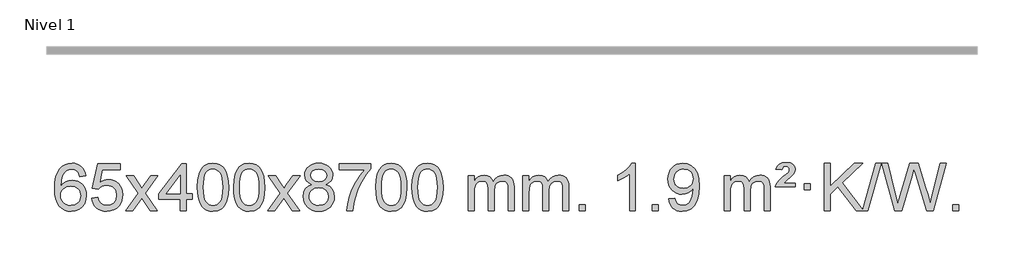
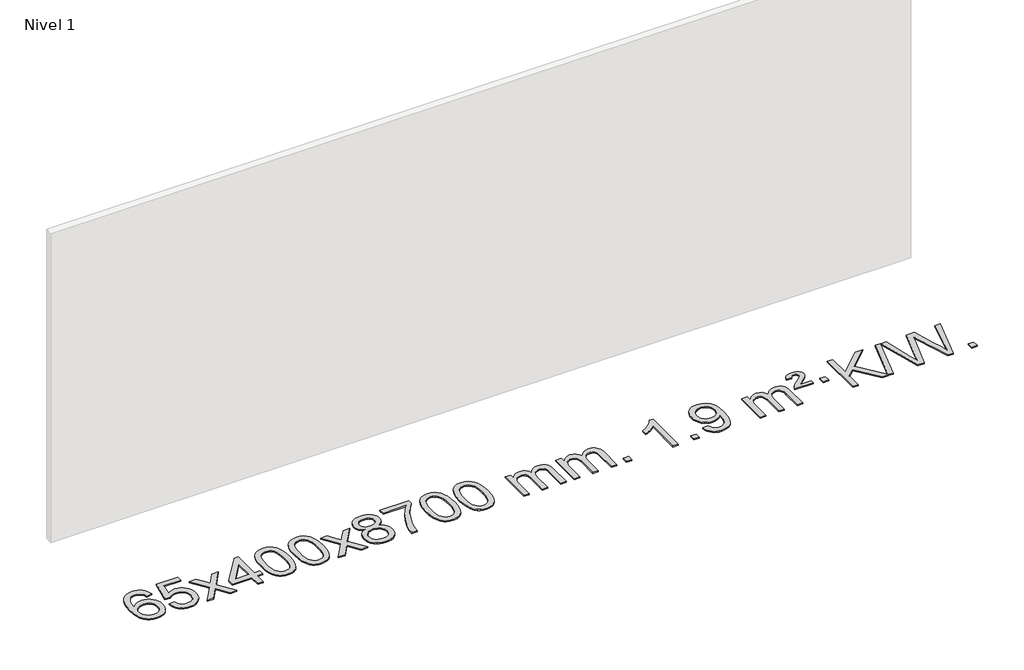
# One storey, part 2 of 10: 1 proxy.
"""IFC4 building model written with IfcOpenShell, lengths in millimetres."""

from ifc_helpers import new_model, si_unit, origin, origin_with_axes, place, context, project, spatial, polyline, outline, extrude, element, save

model = new_model("IFC4")

# Units and contexts
model_context = context("Model", 3, world=origin())
ifc_project = project(units=[si_unit("LENGTHUNIT", "METRE", prefix="MILLI")], contexts=[model_context])

# Site, building, storey
site = spatial("IfcSite", under=ifc_project)
building = spatial("IfcBuilding", under=site)
storey = spatial("IfcBuildingStorey", under=building, Name="Nivel 1", Elevation=0.0)

# Proxy
placement = place(None, origin())
element("IfcBuildingElementProxy", 1, Name="Texto de modelo 1", ObjectType="Texto de modelo 1", at=placement, inside=storey, context=model_context, shape_type="SweptSolid", body=[
    extrude(outline(polyline([(-11298.7504157, -6100.4890419), (-11348.9785708, -6106.7675613), (-11357.0719747, -6081.874213), (-11368.0103327, -6064.8780648), (-11390.7944909, -6049.2062918), (-11418.3365896, -6043.9823675), (-11441.6848336, -6047.0235253), (-11463.6596514, -6056.1469988), (-11482.5319978, -6075.3627017), (-11497.9462534, -6101.8134171), (-11508.3573138, -6139.227016), (-11512.2200748, -6191.3313693), (-11492.0724042, -6167.8237098), (-11467.9270826, -6151.2567573), (-11441.1330106, -6141.434308), (-11413.0390889, -6138.1601582), (-11388.90603, -6140.398107), (-11366.6369065, -6147.1119534), (-11346.2317185, -6158.3016975), (-11327.690466, -6173.9673391), (-11312.2823418, -6193.1769106), (-11301.2765387, -6214.9984443), (-11294.6730569, -6239.4319401), (-11292.4718963, -6266.4773982), (-11296.6167001, -6302.4439945), (-11309.0511116, -6335.786366), (-11328.745061, -6364.0642287), (-11354.668479, -6384.8372987), (-11385.644143, -6397.602804), (-11420.4948306, -6401.8579724), (-11450.4373594, -6399.0375437), (-11477.4797517, -6390.5762579), (-11501.6220076, -6376.4741147), (-11522.8641272, -6356.7311143), (-11540.1821721, -6330.5133908), (-11552.5522042, -6296.9870783), (-11559.9742234, -6256.1521768), (-11562.4482298, -6208.0086864), (-11559.7013776, -6154.0342663), (-11551.4608209, -6107.9693092), (-11537.7265598, -6069.8138149), (-11518.4985942, -6039.5677835), (-11497.6580791, -6019.5243462), (-11473.4943634, -6005.2076052), (-11446.007447, -5996.6175606), (-11415.1973299, -5993.7542124), (-11392.0636838, -5995.5261773), (-11371.1250669, -6000.8420722), (-11352.3814792, -6009.7018969), (-11335.8329208, -6022.1056515), (-11321.9269814, -6037.6364031), (-11311.1112507, -6055.8772186), (-11303.3857288, -6076.8280983), (-11298.7504157, -6100.4890419)]), holes=[polyline([(-11512.2200748, -6265.6925832), (-11509.313807, -6287.9494439), (-11500.5950037, -6309.2007605), (-11487.0569463, -6327.472233), (-11469.6929161, -6340.7895612), (-11448.7359051, -6348.9197533), (-11424.4189053, -6351.6298173), (-11391.2727375, -6346.0134855), (-11377.357601, -6338.9930708), (-11365.2144295, -6329.1644901), (-11355.3643891, -6316.9262824), (-11348.3286459, -6302.6769865), (-11342.7000514, -6268.1451299), (-11348.2550695, -6234.9989621), (-11355.1988422, -6221.3781312), (-11364.9201239, -6209.725469), (-11377.1000836, -6200.3904634), (-11391.4198903, -6193.7226022), (-11426.4790444, -6188.3883133), (-11459.5761613, -6193.7226022), (-11487.25315, -6209.725469), (-11498.1761796, -6221.2248471), (-11505.9783436, -6234.3858254), (-11510.659642, -6249.2084042), (-11512.2200748, -6265.6925832)])]), origin_with_axes(), (0.0, 0.0, 1.0), 10.0),
    extrude(outline(polyline([(-11248.5222606, -6288.8446235), (-11198.2941056, -6282.5661041), (-11189.0725302, -6312.7201649), (-11172.9838243, -6334.3148381), (-11150.1015642, -6347.3010725), (-11120.4993263, -6351.6298173), (-11101.3694626, -6350.1245668), (-11084.4959417, -6345.6088153), (-11069.8787638, -6338.0825628), (-11057.5179287, -6327.5458094), (-11047.6893481, -6314.519721), (-11040.6689334, -6299.5254641), (-11035.0526016, -6263.6324441), (-11040.3133141, -6229.8363514), (-11046.8892048, -6215.9181493), (-11056.0954517, -6203.9865099), (-11067.9627117, -6194.4154467), (-11082.5216417, -6187.5789729), (-11119.7145114, -6182.1097939), (-11144.0805622, -6184.2925604), (-11163.8112999, -6190.8408599), (-11179.568912, -6200.8717757), (-11192.0155862, -6213.5023908), (-11242.2437412, -6207.2238715), (-11198.2941056, -6000.0327318), (-11003.6600046, -6000.0327318), (-11003.6600046, -6050.2608869), (-11157.6799333, -6050.2608869), (-11179.1642418, -6160.919791), (-11161.438461, -6148.2155994), (-11143.2834845, -6139.1411769), (-11124.6993124, -6133.6965234), (-11105.6859446, -6131.8816388), (-11081.2248576, -6134.1318504), (-11058.7564648, -6140.882485), (-11038.2807661, -6152.1335427), (-11019.7977615, -6167.8850234), (-11004.4969362, -6187.1743027), (-10993.5677752, -6209.038756), (-10987.0102787, -6233.4783832), (-10984.8244465, -6260.4931844), (-10986.7926152, -6286.5147042), (-10992.6971212, -6310.7213394), (-11002.5379646, -6333.1130902), (-11016.3151453, -6353.6899565), (-11037.1863171, -6374.7634634), (-11061.5401052, -6389.8159684), (-11089.3765095, -6398.8474714), (-11120.69553, -6401.8579724), (-11146.6158823, -6399.9235262), (-11170.0285056, -6394.1201877), (-11190.9334, -6384.447957), (-11209.3305654, -6370.9068338), (-11224.6375221, -6354.1712688), (-11236.2717902, -6334.915712), (-11244.2333697, -6313.1401636), (-11248.5222606, -6288.8446235)])), origin_with_axes(), (0.0, 0.0, 1.0), 10.0),
    extrude(outline(polyline([(-10959.7103689, -6395.579453), (-10852.3869282, -6247.2494325), (-10953.4318496, -6100.4890419), (-10893.0011005, -6100.4890419), (-10844.2444734, -6171.122385), (-10821.4848406, -6204.4770192), (-10801.7663657, -6177.2047007), (-10746.2407099, -6100.4890419), (-10685.8099608, -6100.4890419), (-10791.9561791, -6247.2494325), (-10689.7340354, -6395.579453), (-10750.1647845, -6395.579453), (-10811.6746541, -6306.4048574), (-10822.9563686, -6290.1199477), (-10899.2796199, -6395.579453), (-10959.7103689, -6395.579453)])), origin_with_axes(), (0.0, 0.0, 1.0), 10.0),
    extrude(outline(polyline([(-10495.0999345, -6395.579453), (-10495.0999345, -6301.4016622), (-10677.1769967, -6301.4016622), (-10677.1769967, -6251.1735072), (-10482.5428957, -6000.0327318), (-10444.8717794, -6000.0327318), (-10444.8717794, -6251.1735072), (-10394.6436244, -6251.1735072), (-10394.6436244, -6301.4016622), (-10444.8717794, -6301.4016622), (-10444.8717794, -6395.579453), (-10495.0999345, -6395.579453)]), holes=[polyline([(-10495.0999345, -6251.1735072), (-10495.0999345, -6095.9763561), (-10615.3728215, -6251.1735072), (-10495.0999345, -6251.1735072)])]), origin_with_axes(), (0.0, 0.0, 1.0), 10.0),
    extrude(outline(polyline([(-10350.6939887, -6197.9041943), (-10347.002906, -6133.5861588), (-10335.9296579, -6082.2911459), (-10317.5846091, -6043.2343407), (-10305.7265461, -6028.0009605), (-10292.0781241, -6015.6309284), (-10276.5933578, -6006.0598651), (-10259.2262619, -5999.2233914), (-10218.8450816, -5993.7542124), (-10187.8939431, -5996.991574), (-10160.1801661, -6006.7036586), (-10137.0036004, -6022.5103217), (-10119.6640957, -6044.0314184), (-10106.5674967, -6071.0830078), (-10096.119648, -6103.4811488), (-10089.2770429, -6144.6226186), (-10086.9961745, -6197.9041943), (-10090.650469, -6261.8543477), (-10101.6133525, -6313.0267333), (-10119.8480367, -6352.1203266), (-10131.6785085, -6367.3996922), (-10145.3177335, -6379.8341036), (-10160.8208939, -6389.4695462), (-10178.2431721, -6396.3520052), (-10218.8450816, -6401.8579724), (-10246.5098076, -6399.4667394), (-10271.035274, -6392.2930405), (-10292.4214806, -6380.3368757), (-10310.6684276, -6363.5982449), (-10328.1796106, -6333.3399508), (-10340.6875984, -6295.6381776), (-10348.1923911, -6250.4929255), (-10350.6939887, -6197.9041943)]), holes=[polyline([(-10300.4658336, -6197.8060924), (-10298.9943056, -6241.4706195), (-10294.5797217, -6276.8148822), (-10287.2220818, -6303.8388804), (-10276.9213859, -6322.5426142), (-10264.462449, -6335.2682656), (-10250.630086, -6344.3580165), (-10235.4242968, -6349.8118671), (-10218.8450816, -6351.6298173), (-10202.2658663, -6349.8057357), (-10187.0600772, -6344.3334911), (-10173.2277142, -6335.2130833), (-10160.7687773, -6322.4445124), (-10150.4680814, -6303.7101217), (-10143.1104415, -6276.6922549), (-10138.6958576, -6241.3909118), (-10137.2243296, -6197.8060924), (-10138.6468066, -6155.2973278), (-10142.9142378, -6120.5753989), (-10150.026623, -6093.6403055), (-10159.9839624, -6074.4920476), (-10172.2344328, -6061.1440625), (-10186.2262114, -6051.6097875), (-10201.959298, -6045.8892225), (-10219.4336928, -6043.9823675), (-10235.9270689, -6045.6623619), (-10250.8753406, -6050.7023452), (-10264.278508, -6059.1023175), (-10276.136571, -6070.8622786), (-10286.7806234, -6091.708925), (-10294.3835179, -6119.8151094), (-10298.9452547, -6155.1808319), (-10300.4658336, -6197.8060924)])]), origin_with_axes(), (0.0, 0.0, 1.0), 10.0),
    extrude(outline(polyline([(-10043.0465388, -6197.9041943), (-10039.3554561, -6133.5861588), (-10028.2822081, -6082.2911459), (-10009.9371593, -6043.2343407), (-9998.0790963, -6028.0009605), (-9984.4306743, -6015.6309284), (-9968.945908, -6006.0598651), (-9951.5788121, -5999.2233914), (-9911.1976318, -5993.7542124), (-9880.2464932, -5996.991574), (-9852.5327163, -6006.7036586), (-9829.3561506, -6022.5103217), (-9812.0166459, -6044.0314184), (-9798.9200468, -6071.0830078), (-9788.4721982, -6103.4811488), (-9781.6295931, -6144.6226186), (-9779.3487247, -6197.9041943), (-9783.0030192, -6261.8543477), (-9793.9659026, -6313.0267333), (-9812.2005869, -6352.1203266), (-9824.0310587, -6367.3996922), (-9837.6702837, -6379.8341036), (-9853.1734441, -6389.4695462), (-9870.5957222, -6396.3520052), (-9911.1976318, -6401.8579724), (-9938.8623578, -6399.4667394), (-9963.3878241, -6392.2930405), (-9984.7740308, -6380.3368757), (-10003.0209778, -6363.5982449), (-10020.5321607, -6333.3399508), (-10033.0401486, -6295.6381776), (-10040.5449413, -6250.4929255), (-10043.0465388, -6197.9041943)]), holes=[polyline([(-9992.8183838, -6197.8060924), (-9991.3468558, -6241.4706195), (-9986.9322718, -6276.8148822), (-9979.5746319, -6303.8388804), (-9969.2739361, -6322.5426142), (-9956.8149992, -6335.2682656), (-9942.9826361, -6344.3580165), (-9927.776847, -6349.8118671), (-9911.1976318, -6351.6298173), (-9894.6184165, -6349.8057357), (-9879.4126274, -6344.3334911), (-9865.5802644, -6335.2130833), (-9853.1213275, -6322.4445124), (-9842.8206316, -6303.7101217), (-9835.4629917, -6276.6922549), (-9831.0484077, -6241.3909118), (-9829.5768798, -6197.8060924), (-9830.9993568, -6155.2973278), (-9835.266788, -6120.5753989), (-9842.3791732, -6093.6403055), (-9852.3365125, -6074.4920476), (-9864.586983, -6061.1440625), (-9878.5787615, -6051.6097875), (-9894.3118482, -6045.8892225), (-9911.786243, -6043.9823675), (-9928.2796191, -6045.6623619), (-9943.2278908, -6050.7023452), (-9956.6310582, -6059.1023175), (-9968.4891211, -6070.8622786), (-9979.1331735, -6091.708925), (-9986.7360681, -6119.8151094), (-9991.2978048, -6155.1808319), (-9992.8183838, -6197.8060924)])]), origin_with_axes(), (0.0, 0.0, 1.0), 10.0),
    extrude(outline(polyline([(-9754.2346472, -6395.579453), (-9646.9112064, -6247.2494325), (-9747.9561278, -6100.4890419), (-9687.5253787, -6100.4890419), (-9638.7687516, -6171.122385), (-9616.0091188, -6204.4770192), (-9596.2906439, -6177.2047007), (-9540.7649881, -6100.4890419), (-9480.334239, -6100.4890419), (-9586.4804574, -6247.2494325), (-9484.2583136, -6395.579453), (-9544.6890627, -6395.579453), (-9606.1989323, -6306.4048574), (-9617.4806468, -6290.1199477), (-9693.8038981, -6395.579453), (-9754.2346472, -6395.579453)])), origin_with_axes(), (0.0, 0.0, 1.0), 10.0),
    extrude(outline(polyline([(-9379.6817251, -6174.2616447), (-9406.573899, -6161.0178929), (-9425.4462453, -6143.0652515), (-9436.5930698, -6120.7716026), (-9440.3086779, -6094.5048281), (-9438.285327, -6074.0199324), (-9432.215274, -6055.2395565), (-9422.0985192, -6038.1637006), (-9407.9350624, -6022.7923645), (-9390.4054853, -6010.088173), (-9370.1903697, -6001.0137504), (-9347.2897155, -5995.5690969), (-9321.7035227, -5993.7542124), (-9295.9947026, -5995.6120165), (-9272.9223701, -6001.1854287), (-9252.4865253, -6010.4744491), (-9234.6871681, -6023.4790776), (-9220.2661939, -6039.1508506), (-9209.965498, -6056.4413044), (-9203.7850805, -6075.3504389), (-9201.7249413, -6095.8782543), (-9205.3914986, -6121.2989001), (-9216.3911702, -6143.2124043), (-9234.8465836, -6161.0546811), (-9260.8803662, -6174.2616447), (-9229.9660158, -6190.1909351), (-9207.4639005, -6213.6495436), (-9193.741902, -6243.5092989), (-9189.1679026, -6278.6420295), (-9191.4365082, -6303.6947933), (-9198.2423251, -6326.6628926), (-9209.5853533, -6347.5463272), (-9225.4655928, -6366.3450971), (-9245.0491776, -6381.88198), (-9267.5022421, -6392.9797536), (-9292.8247861, -6399.6384177), (-9321.0168096, -6401.8579724), (-9349.2088332, -6399.6292206), (-9374.5313772, -6392.9429654), (-9396.9844416, -6381.7992066), (-9416.5680265, -6366.1979443), (-9432.448266, -6347.26735), (-9443.7912942, -6326.135595), (-9450.5971111, -6302.8026795), (-9452.8657167, -6277.2686033), (-9448.1077762, -6240.7747094), (-9433.8339548, -6210.7555386), (-9410.7800165, -6188.2411605), (-9379.6817251, -6174.2616447)]), holes=[polyline([(-9402.6375616, -6275.5027698), (-9400.5406343, -6294.7184726), (-9394.2498521, -6313.3210389), (-9382.6370438, -6329.5446349), (-9364.5740379, -6341.623427), (-9342.9425765, -6349.1282197), (-9320.6244022, -6351.6298173), (-9286.4359021, -6346.3691048), (-9272.5422254, -6339.7932141), (-9260.7822643, -6330.5869672), (-9244.7426093, -6306.6869002), (-9239.3960576, -6277.0723996), (-9244.9142876, -6246.9551269), (-9261.4689773, -6222.5277625), (-9273.5477695, -6213.0854579), (-9287.7112263, -6206.3409547), (-9322.2921339, -6200.9453521), (-9356.0023874, -6206.2673783), (-9369.7397142, -6212.919911), (-9381.3985078, -6222.2334569), (-9397.3277982, -6246.1948375), (-9402.6375616, -6275.5027698)]), polyline([(-9390.0805229, -6095.9763561), (-9385.6291507, -6117.902123), (-9372.2750343, -6135.413306), (-9350.410581, -6146.8912243), (-9320.4281984, -6150.717197), (-9291.1447916, -6146.9157497), (-9269.6114322, -6135.5114079), (-9256.3676803, -6118.5888361), (-9251.9530964, -6098.232699), (-9256.5148331, -6077.1040098), (-9270.2000434, -6059.629615), (-9292.0277084, -6047.8941794), (-9321.0168096, -6043.9823675), (-9350.1898519, -6047.8083402), (-9371.9807287, -6059.2862585), (-9385.5555743, -6076.1107284), (-9390.0805229, -6095.9763561)])]), origin_with_axes(), (0.0, 0.0, 1.0), 10.0),
    extrude(outline(polyline([(-9145.2182669, -6050.2608869), (-9145.2182669, -6000.0327318), (-8881.5204527, -6000.0327318), (-8881.5204527, -6040.646904), (-8919.1057299, -6088.214046), (-8956.3231251, -6148.7061088), (-8989.1504618, -6216.6048623), (-9013.5655635, -6286.3920768), (-9025.5339911, -6338.6067947), (-9032.204918, -6395.579453), (-9082.433073, -6395.579453), (-9077.0006822, -6343.8061935), (-9062.4693434, -6282.2717985), (-9039.2314641, -6217.0463207), (-9007.6794516, -6154.1998132), (-8970.8422012, -6097.3865704), (-8931.7486078, -6050.2608869), (-9145.2182669, -6050.2608869)])), origin_with_axes(), (0.0, 0.0, 1.0), 10.0),
    extrude(outline(polyline([(-8837.570817, -6197.9041943), (-8833.8797344, -6133.5861588), (-8822.8064863, -6082.2911459), (-8804.4614375, -6043.2343407), (-8792.6033745, -6028.0009605), (-8778.9549525, -6015.6309284), (-8763.4701862, -6006.0598651), (-8746.1030903, -5999.2233914), (-8705.72191, -5993.7542124), (-8674.7707714, -5996.991574), (-8647.0569945, -6006.7036586), (-8623.8804288, -6022.5103217), (-8606.5409241, -6044.0314184), (-8593.444325, -6071.0830078), (-8582.9964764, -6103.4811488), (-8576.1538713, -6144.6226186), (-8573.8730029, -6197.9041943), (-8577.5272974, -6261.8543477), (-8588.4901808, -6313.0267333), (-8606.7248651, -6352.1203266), (-8618.5553369, -6367.3996922), (-8632.1945619, -6379.8341036), (-8647.6977223, -6389.4695462), (-8665.1200004, -6396.3520052), (-8705.72191, -6401.8579724), (-8733.386636, -6399.4667394), (-8757.9121024, -6392.2930405), (-8779.298309, -6380.3368757), (-8797.545256, -6363.5982449), (-8815.0564389, -6333.3399508), (-8827.5644268, -6295.6381776), (-8835.0692195, -6250.4929255), (-8837.570817, -6197.9041943)]), holes=[polyline([(-8787.342662, -6197.8060924), (-8785.871134, -6241.4706195), (-8781.45655, -6276.8148822), (-8774.0989101, -6303.8388804), (-8763.7982143, -6322.5426142), (-8751.3392774, -6335.2682656), (-8737.5069144, -6344.3580165), (-8722.3011252, -6349.8118671), (-8705.72191, -6351.6298173), (-8689.1426947, -6349.8057357), (-8673.9369056, -6344.3334911), (-8660.1045426, -6335.2130833), (-8647.6456057, -6322.4445124), (-8637.3449098, -6303.7101217), (-8629.9872699, -6276.6922549), (-8625.572686, -6241.3909118), (-8624.101158, -6197.8060924), (-8625.523635, -6155.2973278), (-8629.7910662, -6120.5753989), (-8636.9034514, -6093.6403055), (-8646.8607907, -6074.4920476), (-8659.1112612, -6061.1440625), (-8673.1030397, -6051.6097875), (-8688.8361264, -6045.8892225), (-8706.3105212, -6043.9823675), (-8722.8038973, -6045.6623619), (-8737.752169, -6050.7023452), (-8751.1553364, -6059.1023175), (-8763.0133993, -6070.8622786), (-8773.6574517, -6091.708925), (-8781.2603463, -6119.8151094), (-8785.8220831, -6155.1808319), (-8787.342662, -6197.8060924)])]), origin_with_axes(), (0.0, 0.0, 1.0), 10.0),
    extrude(outline(polyline([(-8529.9233672, -6197.9041943), (-8526.2322845, -6133.5861588), (-8515.1590365, -6082.2911459), (-8496.8139876, -6043.2343407), (-8484.9559247, -6028.0009605), (-8471.3075026, -6015.6309284), (-8455.8227363, -6006.0598651), (-8438.4556405, -5999.2233914), (-8398.0744601, -5993.7542124), (-8367.1233216, -5996.991574), (-8339.4095446, -6006.7036586), (-8316.2329789, -6022.5103217), (-8298.8934742, -6044.0314184), (-8285.7968752, -6071.0830078), (-8275.3490265, -6103.4811488), (-8268.5064214, -6144.6226186), (-8266.2255531, -6197.9041943), (-8269.8798475, -6261.8543477), (-8280.842731, -6313.0267333), (-8299.0774152, -6352.1203266), (-8310.9078871, -6367.3996922), (-8324.547112, -6379.8341036), (-8340.0502724, -6389.4695462), (-8357.4725506, -6396.3520052), (-8398.0744601, -6401.8579724), (-8425.7391862, -6399.4667394), (-8450.2646525, -6392.2930405), (-8471.6508592, -6380.3368757), (-8489.8978061, -6363.5982449), (-8507.4089891, -6333.3399508), (-8519.9169769, -6295.6381776), (-8527.4217696, -6250.4929255), (-8529.9233672, -6197.9041943)]), holes=[polyline([(-8479.6952121, -6197.8060924), (-8478.2236842, -6241.4706195), (-8473.8091002, -6276.8148822), (-8466.4514603, -6303.8388804), (-8456.1507644, -6322.5426142), (-8443.6918275, -6335.2682656), (-8429.8594645, -6344.3580165), (-8414.6536754, -6349.8118671), (-8398.0744601, -6351.6298173), (-8381.4952449, -6349.8057357), (-8366.2894558, -6344.3334911), (-8352.4570927, -6335.2130833), (-8339.9981558, -6322.4445124), (-8329.69746, -6303.7101217), (-8322.3398201, -6276.6922549), (-8317.9252361, -6241.3909118), (-8316.4537081, -6197.8060924), (-8317.8761852, -6155.2973278), (-8322.1436163, -6120.5753989), (-8329.2560016, -6093.6403055), (-8339.2133409, -6074.4920476), (-8351.4638113, -6061.1440625), (-8365.4555899, -6051.6097875), (-8381.1886766, -6045.8892225), (-8398.6630713, -6043.9823675), (-8415.1564474, -6045.6623619), (-8430.1047192, -6050.7023452), (-8443.5078865, -6059.1023175), (-8455.3659495, -6070.8622786), (-8466.0100019, -6091.708925), (-8473.6128965, -6119.8151094), (-8478.1746332, -6155.1808319), (-8479.6952121, -6197.8060924)])]), origin_with_axes(), (0.0, 0.0, 1.0), 10.0),
    extrude(outline(polyline([(-8052.755894, -6395.579453), (-8052.755894, -6100.4890419), (-8002.5277389, -6100.4890419), (-8002.5277389, -6149.0494653), (-7987.4200517, -6126.7435537), (-7967.9958823, -6109.2691589), (-7944.9174185, -6097.9751816), (-7918.8468478, -6094.2105225), (-7890.9123416, -6098.048758), (-7868.5205908, -6109.5634645), (-7851.7942228, -6127.9943524), (-7840.8558648, -6152.5811324), (-7822.5476041, -6127.0439906), (-7801.6641696, -6108.803175), (-7778.205561, -6097.8586857), (-7752.1717785, -6094.2105225), (-7732.0639617, -6095.7280358), (-7714.414823, -6100.2805755), (-7699.2243623, -6107.8681416), (-7686.4925796, -6118.4907342), (-7676.4279413, -6132.2709806), (-7669.238914, -6149.3315082), (-7664.9254976, -6169.6723168), (-7663.4876922, -6193.2934066), (-7663.4876922, -6395.579453), (-7713.7158472, -6395.579453), (-7713.7158472, -6214.875817), (-7714.8808069, -6189.8230531), (-7718.3756858, -6172.9372695), (-7724.9239854, -6161.3735121), (-7735.2492067, -6152.2868268), (-7748.5297467, -6146.4007149), (-7763.9440023, -6144.4386776), (-7791.1550072, -6149.4663982), (-7813.3382915, -6164.54956), (-7821.9436645, -6176.1194488), (-7828.0903595, -6190.7182326), (-7833.0077155, -6229.0024856), (-7833.0077155, -6395.579453), (-7883.2358706, -6395.579453), (-7883.2358706, -6209.2840106), (-7886.1421384, -6180.8835206), (-7894.8609417, -6160.6254854), (-7910.2016209, -6148.4853796), (-7932.9735164, -6144.4386776), (-7952.3241093, -6147.1364789), (-7970.1541233, -6155.2298828), (-7984.8694032, -6168.5226856), (-7994.8757934, -6186.8186835), (-8000.6147525, -6212.2025411), (-8002.5277389, -6246.7589232), (-8002.5277389, -6395.579453), (-8052.755894, -6395.579453)])), origin_with_axes(), (0.0, 0.0, 1.0), 10.0),
    extrude(outline(polyline([(-7588.1454596, -6395.579453), (-7588.1454596, -6100.4890419), (-7537.9173045, -6100.4890419), (-7537.9173045, -6149.0494653), (-7522.8096172, -6126.7435537), (-7503.3854479, -6109.2691589), (-7480.306984, -6097.9751816), (-7454.2364133, -6094.2105225), (-7426.3019071, -6098.048758), (-7403.9101564, -6109.5634645), (-7387.1837883, -6127.9943524), (-7376.2454303, -6152.5811324), (-7357.9371697, -6127.0439906), (-7337.0537351, -6108.803175), (-7313.5951266, -6097.8586857), (-7287.561344, -6094.2105225), (-7267.4535273, -6095.7280358), (-7249.8043886, -6100.2805755), (-7234.6139279, -6107.8681416), (-7221.8821452, -6118.4907342), (-7211.8175069, -6132.2709806), (-7204.6284796, -6149.3315082), (-7200.3150632, -6169.6723168), (-7198.8772577, -6193.2934066), (-7198.8772577, -6395.579453), (-7249.1054128, -6395.579453), (-7249.1054128, -6214.875817), (-7250.2703724, -6189.8230531), (-7253.7652514, -6172.9372695), (-7260.3135509, -6161.3735121), (-7270.6387722, -6152.2868268), (-7283.9193123, -6146.4007149), (-7299.3335679, -6144.4386776), (-7326.5445728, -6149.4663982), (-7348.7278571, -6164.54956), (-7357.3332301, -6176.1194488), (-7363.4799251, -6190.7182326), (-7368.3972811, -6229.0024856), (-7368.3972811, -6395.579453), (-7418.6254362, -6395.579453), (-7418.6254362, -6209.2840106), (-7421.5317039, -6180.8835206), (-7430.2505072, -6160.6254854), (-7445.5911864, -6148.4853796), (-7468.3630819, -6144.4386776), (-7487.7136749, -6147.1364789), (-7505.5436889, -6155.2298828), (-7520.2589687, -6168.5226856), (-7530.265359, -6186.8186835), (-7536.0043181, -6212.2025411), (-7537.9173045, -6246.7589232), (-7537.9173045, -6395.579453), (-7588.1454596, -6395.579453)])), origin_with_axes(), (0.0, 0.0, 1.0), 10.0),
    extrude(outline(polyline([(-7110.9779863, -6395.579453), (-7110.9779863, -6345.3512979), (-7060.7498313, -6345.3512979), (-7060.7498313, -6395.579453), (-7110.9779863, -6395.579453)])), origin_with_axes(), (0.0, 0.0, 1.0), 10.0),
    extrude(outline(polyline([(-6633.8105131, -6395.579453), (-6684.0386682, -6395.579453), (-6684.0386682, -6082.4382987), (-6705.0079419, -6099.3976587), (-6731.6180729, -6116.3324932), (-6784.4949784, -6141.6918254), (-6784.4949784, -6094.2105225), (-6745.0457657, -6072.7507395), (-6710.8695284, -6047.219729), (-6683.9283036, -6020.0700378), (-6666.1841287, -5993.7542124), (-6633.8105131, -5993.7542124), (-6633.8105131, -6395.579453)])), origin_with_axes(), (0.0, 0.0, 1.0), 10.0),
    extrude(outline(polyline([(-6489.4045673, -6395.579453), (-6489.4045673, -6345.3512979), (-6439.1764122, -6345.3512979), (-6439.1764122, -6395.579453), (-6489.4045673, -6395.579453)])), origin_with_axes(), (0.0, 0.0, 1.0), 10.0),
    extrude(outline(polyline([(-6351.2771408, -6295.1231428), (-6301.0489858, -6288.8446235), (-6292.4650725, -6317.3554781), (-6278.4855567, -6336.7673847), (-6259.4537948, -6347.9142092), (-6235.7131434, -6351.6298173), (-6214.4127759, -6349.2385843), (-6195.0499202, -6342.0648854), (-6178.9612143, -6330.8935355), (-6167.483296, -6316.5093495), (-6151.0512336, -6272.8540194), (-6145.6065801, -6244.4535294), (-6143.7916956, -6214.5815114), (-6144.0860012, -6204.7713248), (-6161.4868195, -6226.0103787), (-6184.258715, -6242.8348486), (-6210.7584814, -6253.7977321), (-6239.3429124, -6257.4520265), (-6263.2031255, -6255.2202091), (-6285.1442208, -6248.5247568), (-6305.1661984, -6237.3656696), (-6323.2690583, -6221.7429475), (-6338.2694466, -6202.4720624), (-6348.9840097, -6180.3684858), (-6355.4127476, -6155.4322179), (-6357.5556602, -6127.6632586), (-6355.3085144, -6098.968463), (-6348.5670768, -6073.2167234), (-6337.3313475, -6050.4080397), (-6321.6013266, -6030.5424119), (-6302.4867912, -6014.4475746), (-6281.0975189, -6002.9512623), (-6257.4335095, -5996.0534749), (-6231.4947632, -5993.7542124), (-6194.0321134, -5999.0026622), (-6159.9294524, -6014.7480116), (-6131.4063351, -6040.2054457), (-6110.682316, -6074.5901495), (-6098.0639636, -6122.1205032), (-6093.8578461, -6187.0148872), (-6098.0517008, -6255.821083), (-6110.6332651, -6309.0045568), (-6131.4921742, -6348.9688042), (-6144.9842464, -6364.8950289), (-6160.5180636, -6378.117321), (-6177.7809262, -6388.503856), (-6196.4601345, -6395.9228095), (-6238.0675882, -6401.8579724), (-6260.6248859, -6400.1074672), (-6281.0116798, -6394.8559517), (-6299.2279699, -6386.1034259), (-6315.2737562, -6373.8498898), (-6328.7443686, -6358.4264372), (-6339.2351369, -6340.1641618), (-6346.7460609, -6319.0630637), (-6351.2771408, -6295.1231428)]), holes=[polyline([(-6144.0860012, -6126.4860363), (-6149.5061292, -6092.444689), (-6156.2812893, -6078.3670713), (-6165.7665134, -6066.2514909), (-6177.4958177, -6056.5087494), (-6191.0032183, -6049.5496483), (-6223.3523084, -6043.9823675), (-6240.9615932, -6045.4814866), (-6256.9031463, -6049.978844), (-6271.1769678, -6057.4744396), (-6283.7830575, -6067.9682736), (-6294.0837533, -6080.8472091), (-6301.4413932, -6095.4981095), (-6305.8559772, -6111.9209749), (-6307.3275051, -6130.1158053), (-6301.7602243, -6161.1527829), (-6294.8011232, -6174.2708417), (-6285.0583817, -6185.7886139), (-6272.93667, -6195.1665391), (-6258.8406582, -6201.8650571), (-6224.7257345, -6207.2238715), (-6192.6341618, -6201.8650571), (-6166.796583, -6185.7886139), (-6156.8607034, -6174.0439812), (-6149.7636466, -6160.2453407), (-6144.0860012, -6126.4860363)])]), origin_with_axes(), (0.0, 0.0, 1.0), 10.0),
    extrude(outline(polyline([(-5880.388187, -6395.579453), (-5880.388187, -6100.4890419), (-5830.1600319, -6100.4890419), (-5830.1600319, -6149.0494653), (-5815.0523447, -6126.7435537), (-5795.6281753, -6109.2691589), (-5772.5497115, -6097.9751816), (-5746.4791408, -6094.2105225), (-5718.5446346, -6098.048758), (-5696.1528838, -6109.5634645), (-5679.4265158, -6127.9943524), (-5668.4881578, -6152.5811324), (-5650.1798972, -6127.0439906), (-5629.2964626, -6108.803175), (-5605.837854, -6097.8586857), (-5579.8040715, -6094.2105225), (-5559.6962548, -6095.7280358), (-5542.047116, -6100.2805755), (-5526.8566553, -6107.8681416), (-5514.1248726, -6118.4907342), (-5504.0602344, -6132.2709806), (-5496.871207, -6149.3315082), (-5492.5577906, -6169.6723168), (-5491.1199852, -6193.2934066), (-5491.1199852, -6395.579453), (-5541.3481403, -6395.579453), (-5541.3481403, -6214.875817), (-5542.5130999, -6189.8230531), (-5546.0079789, -6172.9372695), (-5552.5562784, -6161.3735121), (-5562.8814997, -6152.2868268), (-5576.1620397, -6146.4007149), (-5591.5762953, -6144.4386776), (-5618.7873002, -6149.4663982), (-5640.9705845, -6164.54956), (-5649.5759576, -6176.1194488), (-5655.7226526, -6190.7182326), (-5660.6400086, -6229.0024856), (-5660.6400086, -6395.579453), (-5710.8681636, -6395.579453), (-5710.8681636, -6209.2840106), (-5713.7744314, -6180.8835206), (-5722.4932347, -6160.6254854), (-5737.8339139, -6148.4853796), (-5760.6058094, -6144.4386776), (-5779.9564023, -6147.1364789), (-5797.7864164, -6155.2298828), (-5812.5016962, -6168.5226856), (-5822.5080864, -6186.8186835), (-5828.2470456, -6212.2025411), (-5830.1600319, -6246.7589232), (-5830.1600319, -6395.579453), (-5880.388187, -6395.579453)])), origin_with_axes(), (0.0, 0.0, 1.0), 10.0),
    extrude(outline(polyline([(-5447.1703495, -6194.6668327), (-5443.3443767, -6178.8479069), (-5435.0057182, -6162.9799302), (-5413.4968842, -6137.8413272), (-5381.5402016, -6110.1030247), (-5337.3943621, -6072.726214), (-5330.2574514, -6061.1992448), (-5327.8784812, -6049.3779701), (-5329.7669421, -6037.2869152), (-5335.4323248, -6027.5012541), (-5344.801053, -6021.026531), (-5357.7995501, -6018.8682899), (-5370.2339616, -6020.4869707), (-5379.0876549, -6025.343013), (-5385.5133271, -6034.8098431), (-5390.663675, -6050.2608869), (-5440.8918301, -6043.9823675), (-5430.051574, -6018.7701881), (-5413.4233078, -6001.2099542), (-5389.6581309, -5990.9092583), (-5357.4071427, -5987.475693), (-5321.6244873, -5991.6082341), (-5296.8782917, -6004.0058573), (-5282.4573175, -6022.3386434), (-5277.6503261, -6044.2766731), (-5281.746079, -6067.1834586), (-5294.0333376, -6088.8149199), (-5314.561153, -6108.6314968), (-5351.0305214, -6136.6886303), (-5376.6351083, -6163.2742358), (-5277.6503261, -6163.2742358), (-5277.6503261, -6194.6668327), (-5447.1703495, -6194.6668327)])), origin_with_axes(), (0.0, 0.0, 1.0), 10.0),
    extrude(outline(polyline([(-5202.3080935, -6219.7809102), (-5202.3080935, -6169.5527552), (-5152.0799384, -6169.5527552), (-5152.0799384, -6219.7809102), (-5202.3080935, -6219.7809102)])), origin_with_axes(), (0.0, 0.0, 1.0), 10.0),
    extrude(outline(polyline([(-4761.4383105, -6395.579453), (-4914.8696279, -6192.9009991), (-4982.559915, -6257.4520265), (-4982.559915, -6395.579453), (-5032.7880701, -6395.579453), (-5032.7880701, -5993.7542124), (-4982.559915, -5993.7542124), (-4982.559915, -6190.4484525), (-4776.5459977, -5993.7542124), (-4706.3050621, -5993.7542124), (-4879.2586508, -6158.9577537), (-4704.6050409, -6389.5349332), (-4593.2917132, -5993.7542124), (-4547.9686514, -5993.7542124), (-4660.9820003, -6395.579453), (-4700.0265428, -6395.579453), (-4706.3050621, -6395.579453), (-4761.4383105, -6395.579453)])), origin_with_axes(), (0.0, 0.0, 1.0), 10.0),
    extrude(outline(polyline([(-4433.4837745, -6395.579453), (-4543.0635581, -5993.7542124), (-4491.2657732, -5993.7542124), (-4427.6957645, -6257.844434), (-4408.0753914, -6339.3670841), (-4387.0815922, -6267.2622131), (-4307.4228775, -5993.7542124), (-4232.7673579, -5993.7542124), (-4174.8872574, -6192.0180823), (-4150.0920109, -6265.5944814), (-4131.8205385, -6339.3670841), (-4112.7887766, -6260.1988788), (-4048.6301566, -5993.7542124), (-3996.8323717, -5993.7542124), (-4106.5102572, -6395.579453), (-4160.1719776, -6395.579453), (-4256.5080094, -6085.5775584), (-4269.9479649, -6042.3146358), (-4285.0556522, -6094.4067263), (-4372.8568217, -6395.579453), (-4433.4837745, -6395.579453)])), origin_with_axes(), (0.0, 0.0, 1.0), 10.0),
    extrude(outline(polyline([(-3940.3256972, -6395.579453), (-3940.3256972, -6345.3512979), (-3890.0975422, -6345.3512979), (-3890.0975422, -6395.579453), (-3940.3256972, -6395.579453)])), origin_with_axes(), (0.0, 0.0, 1.0), 10.0),
])

save(model, "model.ifc")
